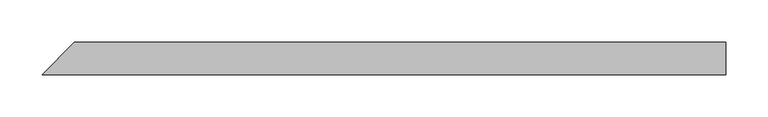
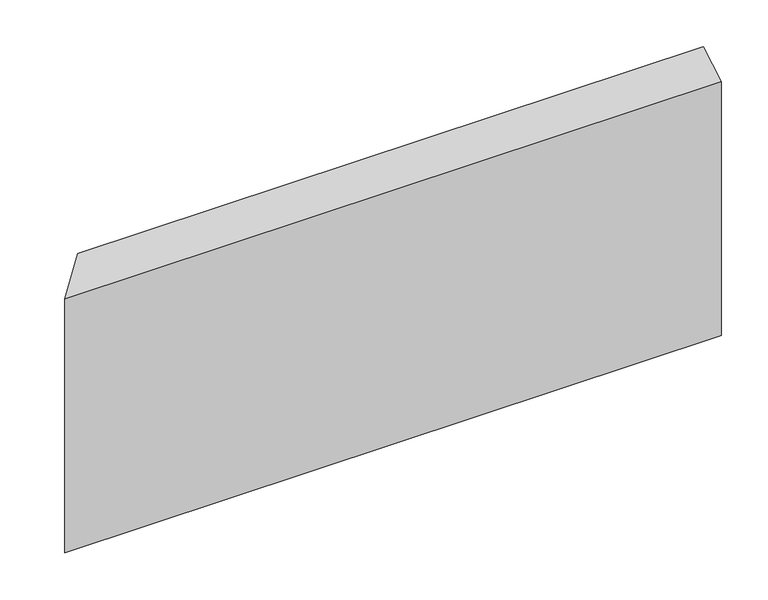
"""IFC4 building model written with IfcOpenShell, lengths in millimetres: beam geometry."""

from ifc_helpers import new_model, si_unit, origin, place, context, project, spatial, faceted_brep, source, transform, mapped, element, save


def beam_b76c51e8(model_context):
    return source(origin(), model_context, "Body", "Brep", [
        faceted_brep([(394.5796158, -19.05, 154.2944112), (-413.6296158, -19.05, 154.2944112), (-413.6296158, -19.05, -176.5194112), (394.5796158, -19.05, -176.5194112), (394.5796158, 19.05, 176.5194112), (394.5796158, 19.05, -154.2944112), (-375.5296158, 19.05, -154.2944112), (-375.5296158, 19.05, 176.5194112)], [[[0, 1, 2, 3]], [[4, 5, 6, 7]], [[5, 4, 0, 3]], [[6, 5, 3, 2]], [[7, 6, 2, 1]], [[4, 7, 1, 0]]]),
    ])


if __name__ == "__main__":
    model = new_model("IFC4")
    model_context = context("Model", 3, world=origin())
    ifc_project = project(units=[si_unit("LENGTHUNIT", "METRE", prefix="MILLI")], contexts=[model_context])
    site = spatial("IfcSite", under=ifc_project)
    building = spatial("IfcBuilding", under=site)
    placement = place(None, origin())
    beam_shape = beam_b76c51e8(model_context)
    element("IfcBeam", 1, at=placement, inside=building, context=model_context, shape_type="MappedRepresentation", body=[
        mapped(beam_shape, transform((0.0, 0.0, 0.0), x_axis=(1.0, 0.0, 0.0), y_axis=(0.0, 1.0, 0.0), z_axis=(0.0, 0.0, 1.0))),
    ])
    save(model, "model.ifc")
